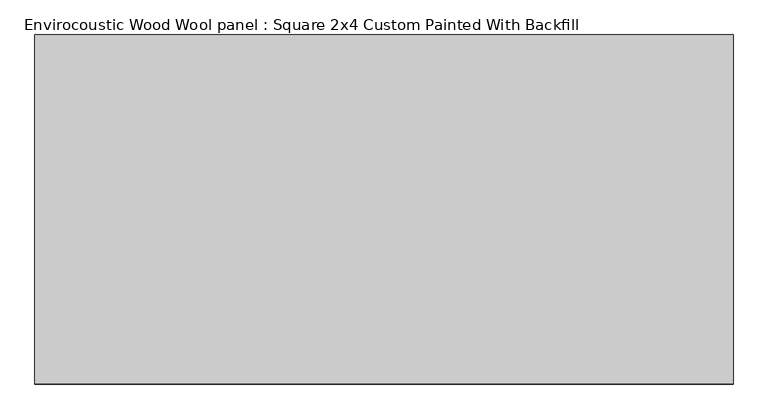
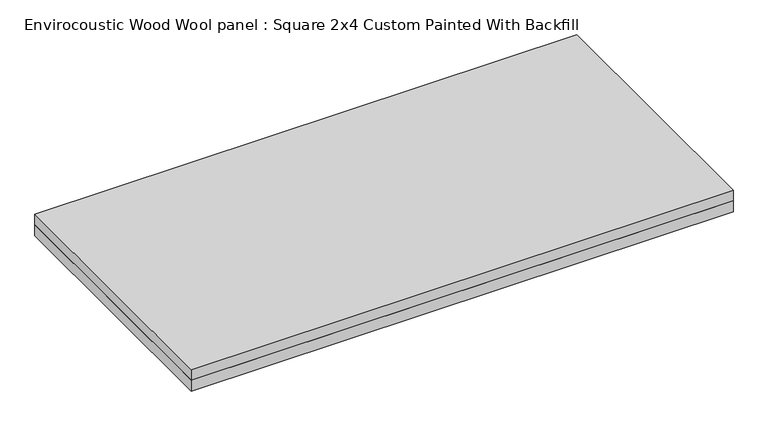
"""IFC4 building model written with IfcOpenShell, lengths in millimetres: proxy geometry, Envirocoustic Wood Wool panel : Square 2x4 Custom Painted With Backfill."""

from ifc_helpers import new_model, si_unit, frame, origin, origin_with_axes, place, context, project, spatial, polyline, outline, extrude, source, transform, mapped, element, save


def envirocoustic_wood_wool_panel_square_2x4_custom_painted_with_1e3e77ff(model_context):
    return source(origin(), model_context, "Body", "SweptSolid", [
        extrude(outline(polyline([(609.6, 304.8), (609.6, -304.8), (-609.6, -304.8), (-609.6, 304.8), (609.6, 304.8)])), origin_with_axes(), (0.0, 0.0, 1.0), 25.4),
        extrude(outline(polyline([(-609.6, 304.8), (609.6, 304.8), (609.6, -304.8), (-609.6, -304.8), (-609.6, 304.8)])), frame((0.0, 0.0, 25.4), z_axis=(0.0, 0.0, 1.0), x_axis=(1.0, 0.0, 0.0)), (0.0, 0.0, 1.0), 25.4),
    ])


if __name__ == "__main__":
    model = new_model("IFC4")
    model_context = context("Model", 3, world=origin())
    ifc_project = project(units=[si_unit("LENGTHUNIT", "METRE", prefix="MILLI")], contexts=[model_context])
    site = spatial("IfcSite", under=ifc_project)
    building = spatial("IfcBuilding", under=site)
    placement = place(None, origin())
    envirocoustic_wood_wool_panel_square_2x4_custom_painted_with_shape = envirocoustic_wood_wool_panel_square_2x4_custom_painted_with_1e3e77ff(model_context)
    element("IfcBuildingElementProxy", 1, Name="Envirocoustic Wood Wool panel : Square 2x4 Custom Painted With Backfill", ObjectType="Envirocoustic Wood Wool panel : Square 2x4 Custom Painted With Backfill", at=placement, inside=building, context=model_context, shape_type="MappedRepresentation", body=[
        mapped(envirocoustic_wood_wool_panel_square_2x4_custom_painted_with_shape, transform((0.0, 0.0, 0.0), x_axis=(1.0, 0.0, 0.0), y_axis=(0.0, 1.0, 0.0), z_axis=(0.0, 0.0, 1.0))),
    ])
    save(model, "model.ifc")
